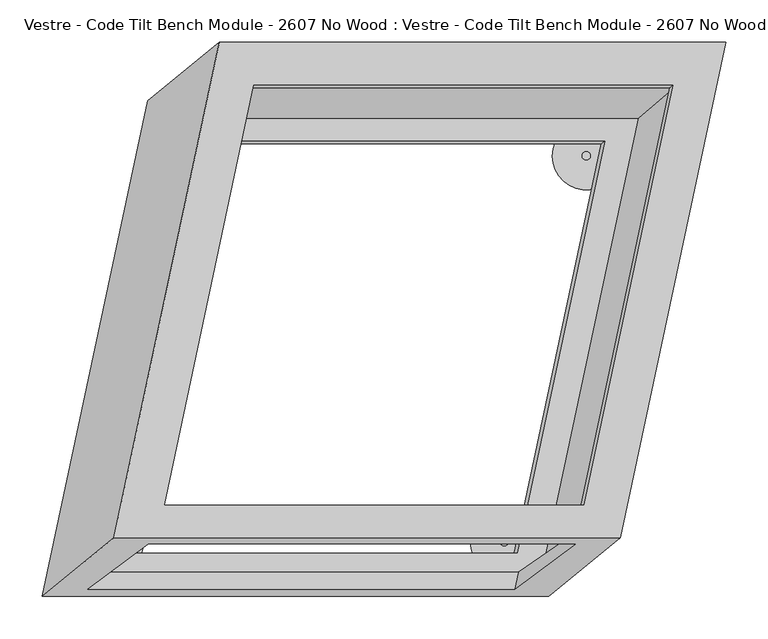
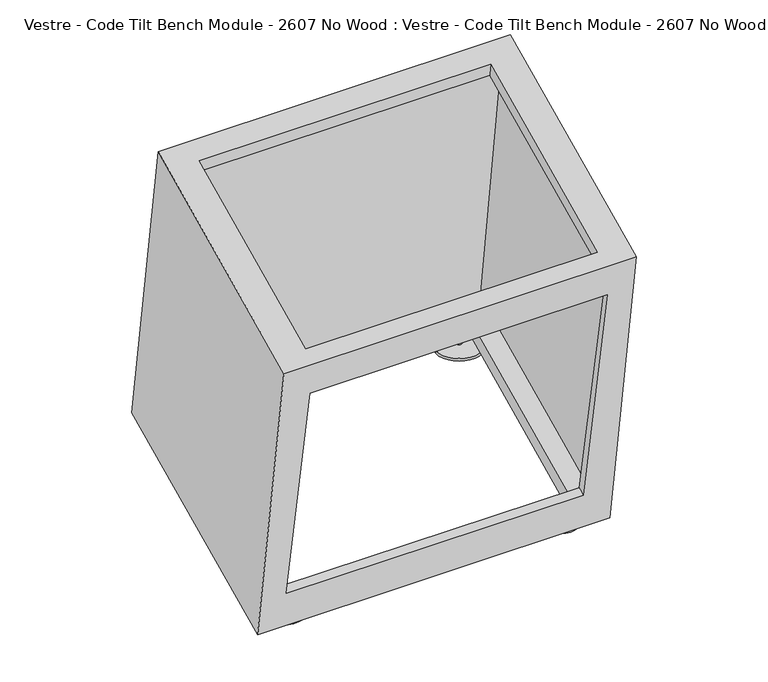
"""IFC4 building model written with IfcOpenShell, lengths in millimetres: furniture geometry, Vestre - Code Tilt Bench Module - 2607 No Wood : Vestre - Code Tilt Bench Module - 2607 No Wood."""

from ifc_helpers import new_model, si_unit, point, frame, frame_2d, origin, origin_with_axes, place, context, project, spatial, circle_curve, trimmed, segment, composite_curve, outline, extrude, faceted_brep, source, transform, mapped, element, save


def vestre_code_tilt_bench_module_2607_no_wood_vestre_code_tilt_7f9ed339(model_context):
    return source(origin(), model_context, "Body", "SolidModel", [
        extrude(outline(composite_curve([segment(trimmed(circle_curve(frame_2d((184.9661106, 228.5027868)), 5.0), [point((189.9661106, 228.5027868))], [point((179.9661106, 228.5027868))], False, "CARTESIAN"), True, "CONTINUOUS"), segment(trimmed(circle_curve(frame_2d((184.9661106, 228.5027868)), 5.0), [point((179.9661106, 228.5027868))], [point((189.9661106, 228.5027868))], False, "CARTESIAN"), True, "CONTINUOUS")], self_intersect=False)), frame((0.0, 0.0, 5.0), z_axis=(0.0, 0.0, 1.0), x_axis=(1.0, 0.0, 0.0)), (0.0, 0.0, 1.0), 16.8677277),
        extrude(outline(composite_curve([segment(trimmed(circle_curve(frame_2d((-379.2374486, -228.4385142)), 5.0), [point((-374.2374486, -228.4385142))], [point((-384.2374486, -228.4385142))], False, "CARTESIAN"), True, "CONTINUOUS"), segment(trimmed(circle_curve(frame_2d((-379.2374486, -228.4385142)), 5.0), [point((-384.2374486, -228.4385142))], [point((-374.2374486, -228.4385142))], False, "CARTESIAN"), True, "CONTINUOUS")], self_intersect=False)), frame((0.0, 0.0, 5.0), z_axis=(0.0, 0.0, 1.0), x_axis=(1.0, 0.0, 0.0)), (0.0, 0.0, 1.0), 16.8677277),
        extrude(outline(composite_curve([segment(trimmed(circle_curve(frame_2d((87.8263213, -228.4385142)), 5.0), [point((92.8263213, -228.4385142))], [point((82.8263213, -228.4385142))], False, "CARTESIAN"), True, "CONTINUOUS"), segment(trimmed(circle_curve(frame_2d((87.8263213, -228.4385142)), 5.0), [point((82.8263213, -228.4385142))], [point((92.8263213, -228.4385142))], False, "CARTESIAN"), True, "CONTINUOUS")], self_intersect=False)), frame((0.0, 0.0, 5.0), z_axis=(0.0, 0.0, 1.0), x_axis=(1.0, 0.0, 0.0)), (0.0, 0.0, 1.0), 16.8677277),
        faceted_brep([(-249.744726, 362.9784336, 419.8134138), (-374.4917404, -223.9101268, 419.8134138), (225.5082596, -223.9101268, 419.8134138), (350.255274, 362.9784336, 419.8134138), (-208.6618234, 312.2208839, 419.8134138), (287.594671, 312.2208839, 419.8134138), (181.9894462, -184.6126361, 419.8134138), (-314.2670481, -184.6126361, 419.8134138), (-334.6932278, 293.4442802, 21.8677277), (265.3067722, 293.4442802, 21.8677277), (140.5597577, -293.4442802, 21.8677277), (-459.4402423, -293.4442802, 21.8677277), (202.6461691, 242.6867305, 21.8677277), (-293.6103253, 242.6867305, 21.8677277), (-397.172905, -244.5369002, 21.8677277), (99.0835894, -244.5369002, 21.8677277), (-334.09591, -231.7848414, 374.7462265), (171.9626845, -231.7848414, 374.7462265), (100.3471348, -284.7076416, 71.8677277), (-405.7114596, -284.7076416, 71.8677277), (-212.211096, 309.3156453, 403.1866612), (284.0453984, 309.3156453, 403.1866612), (206.7306515, 246.0300623, 41.0016985), (-289.5258429, 246.0300623, 41.0016985), (178.5255183, -187.1163595, 403.1866612), (103.0698576, -241.6556298, 41.0016985), (-317.730976, -187.1163595, 403.1866612), (-393.1866367, -241.6556298, 41.0016985), (-330.8611911, -216.5666856, 374.7462265), (175.1974034, -216.5666856, 374.7462265), (104.5597422, -264.8888821, 71.8677277), (-401.4988523, -264.8888821, 71.8677277), (-224.6981062, 332.9707916, 403.1866612), (317.142409, 332.9707916, 403.1866612), (201.2990829, -212.0292084, 403.1866612), (-340.5414324, -212.0292084, 403.1866612), (-322.5535579, 272.8781405, 41.0016985), (-437.9061944, -269.8133464, 41.0016985), (131.2549878, -269.8133464, 41.0016985), (246.6076242, 272.8781405, 41.0016985)], [[[0, 1, 2, 3], [4, 5, 6, 7]], [[8, 9, 10, 11], [12, 13, 14, 15]], [[0, 3, 9, 8]], [[3, 2, 10, 9]], [[2, 1, 11, 10], [16, 17, 18, 19]], [[1, 0, 8, 11]], [[5, 4, 20, 21]], [[13, 12, 22, 23]], [[6, 5, 21, 24]], [[12, 15, 25, 22]], [[7, 6, 24, 26]], [[15, 14, 27, 25]], [[4, 7, 26, 20]], [[14, 13, 23, 27]], [[17, 16, 28, 29]], [[19, 18, 30, 31]], [[18, 17, 29, 30]], [[16, 19, 31, 28]], [[32, 33, 34, 35], [21, 20, 26, 24]], [[36, 37, 38, 39], [23, 22, 25, 27]], [[33, 32, 36, 39]], [[34, 33, 39, 38]], [[35, 34, 38, 37], [29, 28, 31, 30]], [[32, 35, 37, 36]]]),
        extrude(outline(composite_curve([segment(trimmed(circle_curve(frame_2d((-282.0328456, 228.5027868)), 5.0), [point((-287.0328456, 228.5027868))], [point((-277.0328456, 228.5027868))], False, "CARTESIAN"), True, "CONTINUOUS"), segment(trimmed(circle_curve(frame_2d((-282.0328456, 228.5027868)), 5.0), [point((-277.0328456, 228.5027868))], [point((-287.0328456, 228.5027868))], False, "CARTESIAN"), True, "CONTINUOUS")], self_intersect=False)), frame((0.0, 0.0, 5.0), z_axis=(0.0, 0.0, 1.0), x_axis=(1.0, 0.0, 0.0)), (0.0, 0.0, 1.0), 16.8677277),
        extrude(outline(composite_curve([segment(trimmed(circle_curve(frame_2d((184.9104706, 228.2596966)), 40.0), [point((224.9104706, 228.2596966))], [point((144.9104706, 228.2596966))], False, "CARTESIAN"), True, "CONTINUOUS"), segment(trimmed(circle_curve(frame_2d((184.9104706, 228.2596966)), 40.0), [point((144.9104706, 228.2596966))], [point((224.9104706, 228.2596966))], False, "CARTESIAN"), True, "CONTINUOUS")], self_intersect=False)), origin_with_axes(), (0.0, 0.0, 1.0), 5.0),
        extrude(outline(composite_curve([segment(trimmed(circle_curve(frame_2d((-379.2930885, -228.6816045)), 40.0), [point((-339.2930885, -228.6816045))], [point((-419.2930885, -228.6816045))], False, "CARTESIAN"), True, "CONTINUOUS"), segment(trimmed(circle_curve(frame_2d((-379.2930885, -228.6816045)), 40.0), [point((-419.2930885, -228.6816045))], [point((-339.2930885, -228.6816045))], False, "CARTESIAN"), True, "CONTINUOUS")], self_intersect=False)), origin_with_axes(), (0.0, 0.0, 1.0), 5.0),
        extrude(outline(composite_curve([segment(trimmed(circle_curve(frame_2d((87.7706813, -228.6816045)), 40.0), [point((127.7706813, -228.6816045))], [point((47.7706813, -228.6816045))], False, "CARTESIAN"), True, "CONTINUOUS"), segment(trimmed(circle_curve(frame_2d((87.7706813, -228.6816045)), 40.0), [point((47.7706813, -228.6816045))], [point((127.7706813, -228.6816045))], False, "CARTESIAN"), True, "CONTINUOUS")], self_intersect=False)), origin_with_axes(), (0.0, 0.0, 1.0), 5.0),
        extrude(outline(composite_curve([segment(trimmed(circle_curve(frame_2d((-281.9772057, 228.2596966)), 40.0), [point((-321.9772057, 228.2596966))], [point((-241.9772057, 228.2596966))], False, "CARTESIAN"), True, "CONTINUOUS"), segment(trimmed(circle_curve(frame_2d((-281.9772057, 228.2596966)), 40.0), [point((-241.9772057, 228.2596966))], [point((-321.9772057, 228.2596966))], False, "CARTESIAN"), True, "CONTINUOUS")], self_intersect=False)), origin_with_axes(), (0.0, 0.0, 1.0), 5.0),
    ])


if __name__ == "__main__":
    model = new_model("IFC4")
    model_context = context("Model", 3, world=origin())
    ifc_project = project(units=[si_unit("LENGTHUNIT", "METRE", prefix="MILLI")], contexts=[model_context])
    site = spatial("IfcSite", under=ifc_project)
    building = spatial("IfcBuilding", under=site)
    placement = place(None, origin())
    vestre_code_tilt_bench_module_2607_no_wood_vestre_code_tilt_shape = vestre_code_tilt_bench_module_2607_no_wood_vestre_code_tilt_7f9ed339(model_context)
    element("IfcFurniture", 1, ObjectType="Vestre - Code Tilt Bench Module - 2607 No Wood : Vestre - Code Tilt Bench Module - 2607 No Wood", at=placement, inside=building, context=model_context, shape_type="MappedRepresentation", body=[
        mapped(vestre_code_tilt_bench_module_2607_no_wood_vestre_code_tilt_shape, transform((0.0, 0.0, 0.0), x_axis=(1.0, 0.0, 0.0), y_axis=(0.0, 1.0, 0.0), z_axis=(0.0, 0.0, 1.0))),
    ])
    save(model, "model.ifc")
